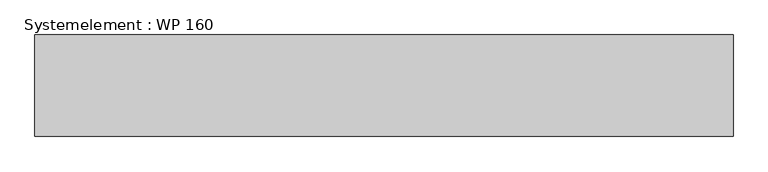
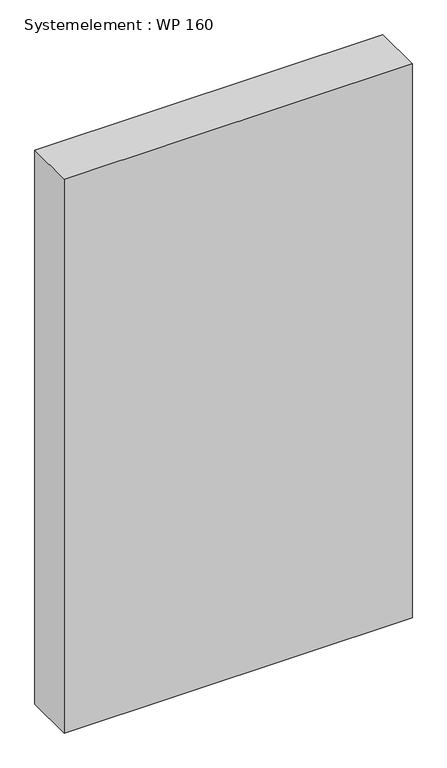
"""IFC4 building model written with IfcOpenShell, lengths in millimetres: plate geometry, Systemelement : WP 160."""

from ifc_helpers import new_model, si_unit, origin, origin_with_axes, place, context, project, spatial, polyline, outline, extrude, source, transform, mapped, element, save


def systemelement_wp_160_76c06153(model_context):
    return source(origin(), model_context, "Body", "SweptSolid", [
        extrude(outline(polyline([(550.0, -160.0), (-550.0, -160.0), (-550.0, 0.0), (550.0, 0.0), (550.0, -160.0)])), origin_with_axes(), (0.0, 0.0, 1.0), 1851.6147161),
    ])


if __name__ == "__main__":
    model = new_model("IFC4")
    model_context = context("Model", 3, world=origin())
    ifc_project = project(units=[si_unit("LENGTHUNIT", "METRE", prefix="MILLI")], contexts=[model_context])
    site = spatial("IfcSite", under=ifc_project)
    building = spatial("IfcBuilding", under=site)
    placement = place(None, origin())
    systemelement_wp_160_shape = systemelement_wp_160_76c06153(model_context)
    element("IfcPlate", 1, ObjectType="Systemelement : WP 160", at=placement, inside=building, context=model_context, shape_type="MappedRepresentation", body=[
        mapped(systemelement_wp_160_shape, transform((0.0, 0.0, 0.0), x_axis=(1.0, 0.0, 0.0), y_axis=(0.0, 1.0, 0.0), z_axis=(0.0, 0.0, 1.0))),
    ])
    save(model, "model.ifc")
